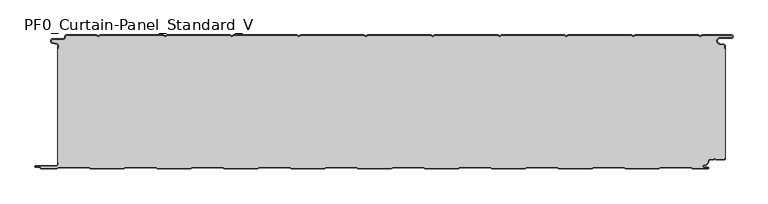
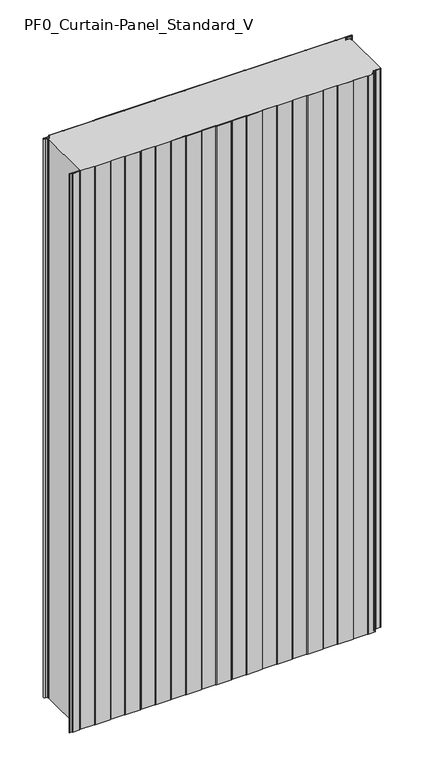
"""IFC4 building model written with IfcOpenShell, lengths in millimetres: plate geometry, PF0_Curtain-Panel_Standard_V."""

from ifc_helpers import new_model, si_unit, point, frame_2d, origin, origin_with_axes, place, context, project, spatial, polyline, circle_curve, trimmed, segment, composite_curve, outline, extrude, source, transform, mapped, element, save


def pf0_curtain_panel_standard_v_56b6dba4(model_context):
    return source(origin(), model_context, "Body", "SweptSolid", [
        extrude(outline(composite_curve([segment(trimmed(circle_curve(frame_2d((-502.0, -15.878557)), 2.0), [point((-500.0, -15.878557))], [point((-501.5500978, -13.9298169))], True, "CARTESIAN"), True, "CONTINUOUS"), segment(polyline([(-501.5500978, -13.9298169), (-507.7098239, -12.507732)]), True, "CONTINUOUS"), segment(trimmed(circle_curve(frame_2d((-506.9, -9.0)), 3.6), [point((-507.7098239, -12.507732))], [point((-506.9, -5.4))], False, "CARTESIAN"), True, "CONTINUOUS"), segment(polyline([(-506.9, -5.4), (-491.4, -5.4)]), True, "CONTINUOUS"), segment(trimmed(circle_curve(frame_2d((-491.4, -3.4)), 2.0), [point((-491.4, -5.4))], [point((-489.4, -3.4))], True, "CARTESIAN"), True, "CONTINUOUS"), segment(polyline([(-489.4, -3.4), (-489.4, -2.0)]), True, "CONTINUOUS"), segment(trimmed(circle_curve(frame_2d((-487.4, -2.0)), 2.0), [point((-489.4, -2.0))], [point((-487.4, 0.0))], False, "CARTESIAN"), True, "CONTINUOUS"), segment(polyline([(-487.4, 0.0), (-442.0999995, 0.0), (-439.4, -1.5588455), (-436.7000005, 0.0), (-342.0999995, 0.0), (-339.4, -1.5588455), (-336.7000005, 0.0), (-242.0999995, 0.0), (-239.4, -1.5588455), (-236.7000005, 0.0), (-142.0999995, 0.0), (-139.4, -1.5588455), (-136.7000005, 0.0), (-42.0999995, 0.0), (-39.4, -1.5588455), (-36.7000005, 0.0), (57.9000005, 0.0), (60.6, -1.5588455), (63.2999995, 0.0), (157.9000005, 0.0), (160.6, -1.5588455), (163.2999995, 0.0), (257.9000005, 0.0), (260.6, -1.5588455), (263.2999995, 0.0), (357.9000005, 0.0), (360.6, -1.5588455), (363.2999995, 0.0), (457.9000005, 0.0), (460.6, -1.5588455), (463.2999995, 0.0), (507.268846, 0.0)]), True, "CONTINUOUS"), segment(trimmed(circle_curve(frame_2d((507.268846, -2.5)), 2.5), [point((507.268846, 0.0))], [point((507.268846, -5.0))], False, "CARTESIAN"), True, "CONTINUOUS"), segment(polyline([(507.268846, -5.0), (490.268846, -5.0)]), True, "CONTINUOUS"), segment(trimmed(circle_curve(frame_2d((490.268846, -9.0)), 4.0), [point((490.268846, -5.0))], [point((489.574253, -12.939231))], True, "CARTESIAN"), True, "CONTINUOUS"), segment(polyline([(489.574253, -12.939231), (496.0203315, -14.0758491)]), True, "CONTINUOUS"), segment(trimmed(circle_curve(frame_2d((495.568846, -16.6363492)), 2.6), [point((496.0203315, -14.0758491))], [point((498.168846, -16.6363492))], False, "CARTESIAN"), True, "CONTINUOUS"), segment(polyline([(498.168846, -16.6363492), (498.168846, -20.0), (497.368846, -20.0), (497.368846, -16.6363492)]), True, "CONTINUOUS"), segment(trimmed(circle_curve(frame_2d((495.568846, -16.6363492)), 1.8), [point((497.368846, -16.6363492))], [point((495.8814129, -14.8636953))], True, "CARTESIAN"), True, "CONTINUOUS"), segment(polyline([(495.8814129, -14.8636953), (489.4353344, -13.7270772)]), True, "CONTINUOUS"), segment(trimmed(circle_curve(frame_2d((490.268846, -9.0)), 4.8), [point((489.4353344, -13.7270772))], [point((490.268846, -4.2))], False, "CARTESIAN"), True, "CONTINUOUS"), segment(polyline([(490.268846, -4.2), (507.268846, -4.2)]), True, "CONTINUOUS"), segment(trimmed(circle_curve(frame_2d((507.268846, -2.5)), 1.7), [point((507.268846, -4.2))], [point((507.268846, -0.8))], True, "CARTESIAN"), True, "CONTINUOUS"), segment(polyline([(507.268846, -0.8), (463.5143588, -0.8), (460.6, -2.482606), (457.6856412, -0.8), (363.5143588, -0.8), (360.6, -2.482606), (357.6856412, -0.8), (263.5143588, -0.8), (260.6, -2.482606), (257.6856412, -0.8), (163.5143588, -0.8), (160.6, -2.482606), (157.6856412, -0.8), (63.5143588, -0.8), (60.6, -2.482606), (57.6856412, -0.8), (-36.4856412, -0.8), (-39.4, -2.482606), (-42.3143588, -0.8), (-136.4856412, -0.8), (-139.4, -2.482606), (-142.3143588, -0.8), (-236.4856412, -0.8), (-239.4, -2.482606), (-242.3143588, -0.8), (-336.4856412, -0.8), (-339.4, -2.482606), (-342.3143588, -0.8), (-436.4856412, -0.8), (-439.4, -2.482606), (-442.3143588, -0.8), (-487.4, -0.8)]), True, "CONTINUOUS"), segment(trimmed(circle_curve(frame_2d((-487.4, -2.0)), 1.2), [point((-487.4, -0.8))], [point((-488.6, -2.0))], True, "CARTESIAN"), True, "CONTINUOUS"), segment(polyline([(-488.6, -2.0), (-488.6, -3.4)]), True, "CONTINUOUS"), segment(trimmed(circle_curve(frame_2d((-491.4, -3.4)), 2.8), [point((-488.6, -3.4))], [point((-491.4, -6.2))], False, "CARTESIAN"), True, "CONTINUOUS"), segment(polyline([(-491.4, -6.2), (-506.9, -6.2)]), True, "CONTINUOUS"), segment(trimmed(circle_curve(frame_2d((-506.9, -9.0)), 2.8), [point((-506.9, -6.2))], [point((-507.529863, -11.7282362))], True, "CARTESIAN"), True, "CONTINUOUS"), segment(polyline([(-507.529863, -11.7282362), (-501.370137, -13.150321)]), True, "CONTINUOUS"), segment(trimmed(circle_curve(frame_2d((-502.0, -15.878557)), 2.8), [point((-501.370137, -13.150321))], [point((-499.2, -15.878557))], False, "CARTESIAN"), True, "CONTINUOUS"), segment(polyline([(-499.2, -15.878557), (-499.2, -20.0), (-500.0, -20.0), (-500.0, -15.878557)]), True, "CONTINUOUS")], self_intersect=False)), origin_with_axes(), (0.0, 0.0, 1.0), 1945.7507136),
        extrude(outline(composite_curve([segment(polyline([(-499.2, -190.0), (-500.0, -190.0), (-500.0, -20.0), (-499.2, -20.0), (-499.2, -15.878557)]), True, "CONTINUOUS"), segment(trimmed(circle_curve(frame_2d((-502.0, -15.878557)), 2.8), [point((-499.2, -15.878557))], [point((-501.370137, -13.1503208))], True, "CARTESIAN"), True, "CONTINUOUS"), segment(polyline([(-501.370137, -13.1503208), (-507.529863, -11.7282362)]), True, "CONTINUOUS"), segment(trimmed(circle_curve(frame_2d((-506.9, -9.0)), 2.8), [point((-507.529863, -11.7282362))], [point((-506.9, -6.2))], False, "CARTESIAN"), True, "CONTINUOUS"), segment(polyline([(-506.9, -6.2), (-491.4, -6.2)]), True, "CONTINUOUS"), segment(trimmed(circle_curve(frame_2d((-491.4, -3.4)), 2.8), [point((-491.4, -6.2))], [point((-488.6, -3.4))], True, "CARTESIAN"), True, "CONTINUOUS"), segment(polyline([(-488.6, -3.4), (-488.6, -2.0)]), True, "CONTINUOUS"), segment(trimmed(circle_curve(frame_2d((-487.4, -2.0)), 1.2), [point((-488.6, -2.0))], [point((-487.4, -0.8))], False, "CARTESIAN"), True, "CONTINUOUS"), segment(polyline([(-487.4, -0.8), (-442.3143588, -0.8), (-439.4, -2.482606), (-436.4856412, -0.8), (-342.3143588, -0.8), (-339.4, -2.482606), (-336.4856412, -0.8), (-242.3143588, -0.8), (-239.4, -2.482606), (-236.4856412, -0.8), (-142.3143588, -0.8), (-139.4, -2.482606), (-136.4856412, -0.8), (-42.3143588, -0.8), (-39.4, -2.482606), (-36.4856412, -0.8), (57.6856412, -0.8), (60.6, -2.482606), (63.5143588, -0.8), (157.6856412, -0.8), (160.6, -2.482606), (163.5143588, -0.8), (257.6856412, -0.8), (260.6, -2.482606), (263.5143588, -0.8), (357.6856412, -0.8), (360.6, -2.482606), (363.5143588, -0.8), (457.6856412, -0.8), (460.6, -2.482606), (463.5143588, -0.8), (507.268846, -0.8)]), True, "CONTINUOUS"), segment(trimmed(circle_curve(frame_2d((507.268846, -2.5)), 1.7), [point((507.268846, -0.8))], [point((507.268846, -4.2))], False, "CARTESIAN"), True, "CONTINUOUS"), segment(polyline([(507.268846, -4.2), (490.268846, -4.2)]), True, "CONTINUOUS"), segment(trimmed(circle_curve(frame_2d((490.268846, -9.0)), 4.8), [point((490.268846, -4.2))], [point((489.4353344, -13.7270772))], True, "CARTESIAN"), True, "CONTINUOUS"), segment(polyline([(489.4353344, -13.7270772), (495.8814129, -14.8636953)]), True, "CONTINUOUS"), segment(trimmed(circle_curve(frame_2d((495.568846, -16.6363492)), 1.8), [point((495.8814129, -14.8636953))], [point((497.368846, -16.6363492))], False, "CARTESIAN"), True, "CONTINUOUS"), segment(polyline([(497.368846, -16.6363492), (497.368846, -20.0), (498.168846, -20.0), (498.168846, -183.0), (497.368846, -183.0), (497.368846, -184.4)]), True, "CONTINUOUS"), segment(trimmed(circle_curve(frame_2d((495.568846, -184.4)), 1.8), [point((497.368846, -184.4))], [point((495.568846, -186.2))], False, "CARTESIAN"), True, "CONTINUOUS"), segment(polyline([(495.568846, -186.2), (484.0002158, -186.2), (482.168846, -184.3686285), (480.3374762, -186.2), (474.168846, -186.2)]), True, "CONTINUOUS"), segment(trimmed(circle_curve(frame_2d((474.168846, -188.0)), 1.8), [point((474.168846, -186.2))], [point((472.368846, -188.0))], True, "CARTESIAN"), True, "CONTINUOUS"), segment(polyline([(472.368846, -188.0), (472.368846, -188.8276204)]), True, "CONTINUOUS"), segment(trimmed(circle_curve(frame_2d((466.9964664, -188.8276204)), 5.3723796), [point((472.368846, -188.8276204))], [point((466.9964664, -194.2))], False, "CARTESIAN"), True, "CONTINUOUS"), segment(polyline([(466.9964664, -194.2), (466.168846, -194.2)]), True, "CONTINUOUS"), segment(trimmed(circle_curve(frame_2d((466.168846, -196.4)), 2.2), [point((466.168846, -194.2))], [point((466.168846, -198.6))], True, "CARTESIAN"), True, "CONTINUOUS"), segment(polyline([(466.168846, -198.6), (472.0579973, -198.6)]), True, "CONTINUOUS"), segment(trimmed(circle_curve(frame_2d((472.0579973, -198.9)), 0.3), [point((472.0579973, -198.6))], [point((472.0579973, -199.2))], False, "CARTESIAN"), True, "CONTINUOUS"), segment(polyline([(472.0579973, -199.2), (449.2152562, -199.2), (446.6171786, -197.7), (401.3884624, -197.7), (398.7903848, -199.2), (349.2152562, -199.2), (346.6171786, -197.7), (301.3884624, -197.7), (298.7903848, -199.2), (249.2152562, -199.2), (246.6171786, -197.7), (201.3884624, -197.7), (198.7903848, -199.2), (149.2152562, -199.2), (146.6171786, -197.7), (101.3884624, -197.7), (98.7903848, -199.2), (49.2152562, -199.2), (46.6171786, -197.7), (1.3884624, -197.7), (-1.2096152, -199.2), (-50.7847438, -199.2), (-53.3828214, -197.7), (-98.6115376, -197.7), (-101.2096152, -199.2), (-150.7847438, -199.2), (-153.3828214, -197.7), (-198.6115376, -197.7), (-201.2096152, -199.2), (-250.7847438, -199.2), (-253.3828214, -197.7), (-298.6115376, -197.7), (-301.2096152, -199.2), (-350.7847438, -199.2), (-353.3828214, -197.7), (-398.6115376, -197.7), (-401.2096152, -199.2), (-450.7847438, -199.2), (-453.3828214, -197.7), (-498.6115376, -197.7), (-501.2096152, -199.2), (-524.4, -199.2)]), True, "CONTINUOUS"), segment(trimmed(circle_curve(frame_2d((-524.4, -198.4)), 0.8), [point((-524.4, -199.2))], [point((-525.2, -198.4))], False, "CARTESIAN"), True, "CONTINUOUS"), segment(trimmed(circle_curve(frame_2d((-526.9, -198.6133333)), 1.7133333), [point((-525.2, -198.4))], [point((-526.9, -196.9))], True, "CARTESIAN"), True, "CONTINUOUS"), segment(polyline([(-526.9, -196.9), (-532.8700312, -196.9)]), True, "CONTINUOUS"), segment(trimmed(circle_curve(frame_2d((-532.8700312, -196.6)), 0.3), [point((-532.8700312, -196.9))], [point((-532.8700312, -196.3))], False, "CARTESIAN"), True, "CONTINUOUS"), segment(polyline([(-532.8700312, -196.3), (-502.0, -196.3)]), True, "CONTINUOUS"), segment(trimmed(circle_curve(frame_2d((-502.0, -193.5)), 2.8), [point((-502.0, -196.3))], [point((-499.2, -193.5))], True, "CARTESIAN"), True, "CONTINUOUS"), segment(polyline([(-499.2, -193.5), (-499.2, -190.0)]), True, "CONTINUOUS")], self_intersect=False)), origin_with_axes(), (0.0, 0.0, 1.0), 1945.7507136),
        extrude(outline(composite_curve([segment(polyline([(-500.0, -190.0), (-499.2, -190.0), (-499.2, -193.5)]), True, "CONTINUOUS"), segment(trimmed(circle_curve(frame_2d((-502.0, -193.5)), 2.8), [point((-499.2, -193.5))], [point((-502.0, -196.3))], False, "CARTESIAN"), True, "CONTINUOUS"), segment(polyline([(-502.0, -196.3), (-532.8700312, -196.3)]), True, "CONTINUOUS"), segment(trimmed(circle_curve(frame_2d((-532.8700312, -196.6)), 0.3), [point((-532.8700312, -196.3))], [point((-532.8700312, -196.9))], True, "CARTESIAN"), True, "CONTINUOUS"), segment(polyline([(-532.8700312, -196.9), (-526.9, -196.9)]), True, "CONTINUOUS"), segment(trimmed(circle_curve(frame_2d((-526.9, -198.6133333)), 1.7133333), [point((-526.9, -196.9))], [point((-525.2, -198.4))], False, "CARTESIAN"), True, "CONTINUOUS"), segment(trimmed(circle_curve(frame_2d((-524.4, -198.4)), 0.8), [point((-525.2, -198.4))], [point((-524.4, -199.2))], True, "CARTESIAN"), True, "CONTINUOUS"), segment(polyline([(-524.4, -199.2), (-501.2096152, -199.2), (-498.6115376, -197.7), (-453.3828214, -197.7), (-450.7847438, -199.2), (-401.2096152, -199.2), (-398.6115376, -197.7), (-353.3828214, -197.7), (-350.7847438, -199.2), (-301.2096152, -199.2), (-298.6115376, -197.7), (-253.3828214, -197.7), (-250.7847438, -199.2), (-201.2096152, -199.2), (-198.6115376, -197.7), (-153.3828214, -197.7), (-150.7847438, -199.2), (-101.2096152, -199.2), (-98.6115376, -197.7), (-53.3828214, -197.7), (-50.7847438, -199.2), (-1.2096152, -199.2), (1.3884624, -197.7), (46.6171786, -197.7), (49.2152562, -199.2), (98.7903848, -199.2), (101.3884624, -197.7), (146.6171786, -197.7), (149.2152562, -199.2), (198.7903848, -199.2), (201.3884624, -197.7), (246.6171786, -197.7), (249.2152562, -199.2), (298.7903848, -199.2), (301.3884624, -197.7), (346.6171786, -197.7), (349.2152562, -199.2), (398.7903848, -199.2), (401.3884624, -197.7), (446.6171786, -197.7), (449.2152562, -199.2), (472.0579973, -199.2)]), True, "CONTINUOUS"), segment(trimmed(circle_curve(frame_2d((472.0579973, -198.9)), 0.3), [point((472.0579973, -199.2))], [point((472.0579973, -198.6))], True, "CARTESIAN"), True, "CONTINUOUS"), segment(polyline([(472.0579973, -198.6), (466.168846, -198.6)]), True, "CONTINUOUS"), segment(trimmed(circle_curve(frame_2d((466.168846, -196.4)), 2.2), [point((466.168846, -198.6))], [point((466.168846, -194.2))], False, "CARTESIAN"), True, "CONTINUOUS"), segment(polyline([(466.168846, -194.2), (466.9964664, -194.2)]), True, "CONTINUOUS"), segment(trimmed(circle_curve(frame_2d((466.9964664, -188.8276204)), 5.3723796), [point((466.9964664, -194.2))], [point((472.368846, -188.8276204))], True, "CARTESIAN"), True, "CONTINUOUS"), segment(polyline([(472.368846, -188.8276204), (472.368846, -188.0)]), True, "CONTINUOUS"), segment(trimmed(circle_curve(frame_2d((474.168846, -188.0)), 1.8), [point((472.368846, -188.0))], [point((474.168846, -186.2))], False, "CARTESIAN"), True, "CONTINUOUS"), segment(polyline([(474.168846, -186.2), (480.3374762, -186.2), (482.168846, -184.3686285), (484.0002158, -186.2), (495.568846, -186.2)]), True, "CONTINUOUS"), segment(trimmed(circle_curve(frame_2d((495.568846, -184.4)), 1.8), [point((495.568846, -186.2))], [point((497.368846, -184.4))], True, "CARTESIAN"), True, "CONTINUOUS"), segment(polyline([(497.368846, -184.4), (497.368846, -183.0), (498.168846, -183.0), (498.168846, -184.4)]), True, "CONTINUOUS"), segment(trimmed(circle_curve(frame_2d((495.568846, -184.4)), 2.6), [point((498.168846, -184.4))], [point((495.568846, -187.0))], False, "CARTESIAN"), True, "CONTINUOUS"), segment(polyline([(495.568846, -187.0), (483.6688448, -187.0), (482.168846, -185.4999999), (480.6688472, -187.0), (474.168846, -187.0)]), True, "CONTINUOUS"), segment(trimmed(circle_curve(frame_2d((474.168846, -188.0)), 1.0), [point((474.168846, -187.0))], [point((473.168846, -188.0))], True, "CARTESIAN"), True, "CONTINUOUS"), segment(polyline([(473.168846, -188.0), (473.168846, -188.8276204)]), True, "CONTINUOUS"), segment(trimmed(circle_curve(frame_2d((466.9964664, -188.8276204)), 6.1723796), [point((473.168846, -188.8276204))], [point((466.9964664, -195.0))], False, "CARTESIAN"), True, "CONTINUOUS"), segment(polyline([(466.9964664, -195.0), (466.168846, -195.0)]), True, "CONTINUOUS"), segment(trimmed(circle_curve(frame_2d((466.168846, -196.5)), 1.5), [point((466.168846, -195.0))], [point((466.168846, -198.0))], True, "CARTESIAN"), True, "CONTINUOUS"), segment(polyline([(466.168846, -198.0), (472.168846, -198.0)]), True, "CONTINUOUS"), segment(trimmed(circle_curve(frame_2d((472.168846, -199.0)), 1.0), [point((472.168846, -198.0))], [point((472.168846, -200.0))], False, "CARTESIAN"), True, "CONTINUOUS"), segment(polyline([(472.168846, -200.0), (449.0008969, -200.0), (446.4028193, -198.5), (401.6028217, -198.5), (399.0047441, -200.0), (349.0008969, -200.0), (346.4028193, -198.5), (301.6028217, -198.5), (299.0047441, -200.0), (249.0008969, -200.0), (246.4028193, -198.5), (201.6028217, -198.5), (199.0047441, -200.0), (149.0008969, -200.0), (146.4028193, -198.5), (101.6028217, -198.5), (99.0047441, -200.0), (49.0008969, -200.0), (46.4028193, -198.5), (1.6028217, -198.5), (-0.9952559, -200.0), (-50.9991031, -200.0), (-53.5971807, -198.5), (-98.3971783, -198.5), (-100.9952559, -200.0), (-150.9991031, -200.0), (-153.5971807, -198.5), (-198.3971783, -198.5), (-200.9952559, -200.0), (-250.9991031, -200.0), (-253.5971807, -198.5), (-298.3971783, -198.5), (-300.9952559, -200.0), (-350.9991031, -200.0), (-353.5971807, -198.5), (-398.3971783, -198.5), (-400.9952559, -200.0), (-450.9991031, -200.0), (-453.5971807, -198.5), (-498.3971783, -198.5), (-500.9952559, -200.0), (-524.4, -200.0)]), True, "CONTINUOUS"), segment(trimmed(circle_curve(frame_2d((-524.4, -198.4)), 1.6), [point((-524.4, -200.0))], [point((-526.0, -198.4))], False, "CARTESIAN"), True, "CONTINUOUS"), segment(trimmed(circle_curve(frame_2d((-526.9, -198.4)), 0.9), [point((-526.0, -198.4))], [point((-526.9, -197.5))], True, "CARTESIAN"), True, "CONTINUOUS"), segment(polyline([(-526.9, -197.5), (-533.0, -197.5)]), True, "CONTINUOUS"), segment(trimmed(circle_curve(frame_2d((-533.0, -196.5)), 1.0), [point((-533.0, -197.5))], [point((-533.0, -195.5))], False, "CARTESIAN"), True, "CONTINUOUS"), segment(polyline([(-533.0, -195.5), (-502.0, -195.5)]), True, "CONTINUOUS"), segment(trimmed(circle_curve(frame_2d((-502.0, -193.5)), 2.0), [point((-502.0, -195.5))], [point((-500.0, -193.5))], True, "CARTESIAN"), True, "CONTINUOUS"), segment(polyline([(-500.0, -193.5), (-500.0, -190.0)]), True, "CONTINUOUS")], self_intersect=False)), origin_with_axes(), (0.0, 0.0, 1.0), 1945.7507136),
    ])


if __name__ == "__main__":
    model = new_model("IFC4")
    model_context = context("Model", 3, world=origin())
    ifc_project = project(units=[si_unit("LENGTHUNIT", "METRE", prefix="MILLI")], contexts=[model_context])
    site = spatial("IfcSite", under=ifc_project)
    building = spatial("IfcBuilding", under=site)
    placement = place(None, origin())
    pf0_curtain_panel_standard_v_shape = pf0_curtain_panel_standard_v_56b6dba4(model_context)
    element("IfcPlate", 1, ObjectType="PF0_Curtain-Panel_Standard_V", at=placement, inside=building, context=model_context, shape_type="MappedRepresentation", body=[
        mapped(pf0_curtain_panel_standard_v_shape, transform((0.0, 0.0, 0.0), x_axis=(1.0, 0.0, 0.0), y_axis=(0.0, 1.0, 0.0), z_axis=(0.0, 0.0, 1.0))),
    ])
    save(model, "model.ifc")
